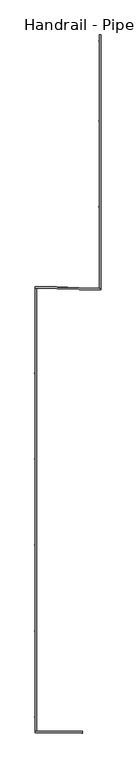
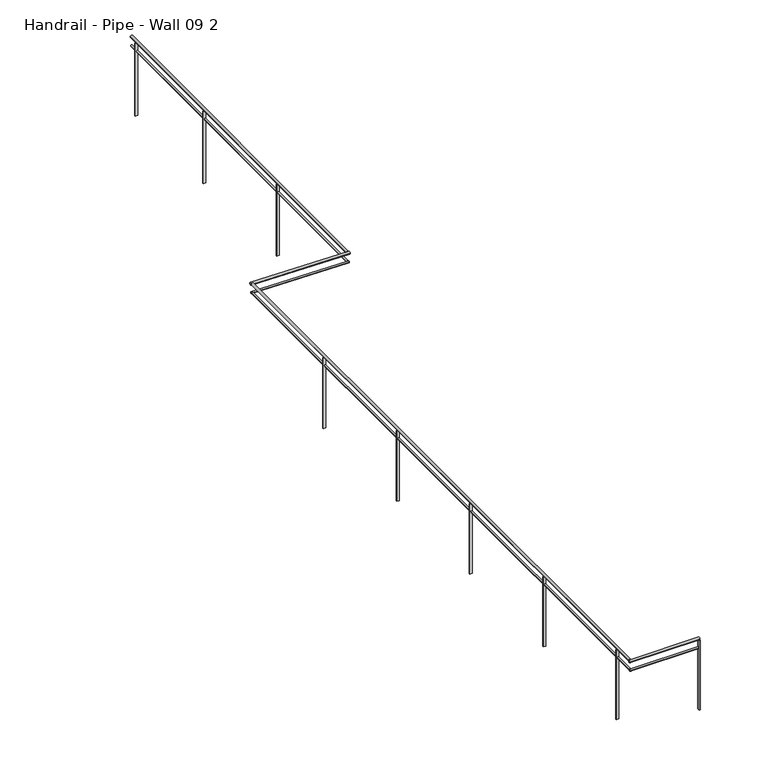
"""IFC4 building model written with IfcOpenShell, lengths in millimetres: railing geometry, Handrail - Pipe - Wall 09 2."""

from ifc_helpers import new_model, si_unit, frame, origin, place, context, project, spatial, polyline, circle_curve, ellipse_curve, outline, extrude, source, transform, mapped, element, save
from ifc_brep_helpers import plane_surface, cylinder_surface, advanced_brep


def handrail_pipe_wall_09_2_f6ed17e4(model_context):
    return source(origin(), model_context, "Body", "SolidModel", [
        advanced_brep(
        [(-17904.1677662, 18689.4258538, -10274.3), (-17904.1677662, 18664.0258538, -10274.3), (-16831.0177662, 18689.4258538, -10274.3), (-16831.0177662, 18664.0258538, -10274.3)],
        [
            (0, 1, circle_curve(frame((-17904.1677662, 18676.7258538, -10274.3), z_axis=(-1.0, 0.0, 0.0), x_axis=(0.0, -1.0, 0.0)), 12.7)),
            (1, 0, circle_curve(frame((-17904.1677662, 18676.7258538, -10274.3), z_axis=(-1.0, 0.0, 0.0), x_axis=(0.0, -1.0, 0.0)), 12.7)),
            (2, 3, circle_curve(frame((-16831.0177662, 18676.7258538, -10274.3), z_axis=(1.0, 0.0, 0.0), x_axis=(0.0, -1.0, 0.0)), 12.7)),
            (3, 2, circle_curve(frame((-16831.0177662, 18676.7258538, -10274.3), z_axis=(1.0, 0.0, 0.0), x_axis=(0.0, -1.0, 0.0)), 12.7)),
            (0, 2),
            (3, 1),
        ],
        [
            plane_surface(frame((-17904.1677662, 18676.7258538, -10261.6), z_axis=(-1.0, 0.0, 0.0), x_axis=(0.0, 1.0, 0.0))),
            plane_surface(frame((-16831.0177662, 18676.7258538, -10261.6), z_axis=(1.0, 0.0, 0.0), x_axis=(0.0, 1.0, 0.0))),
            cylinder_surface(frame((-17904.1677662, 18676.7258538, -10274.3), z_axis=(-1.0, 0.0, 0.0), x_axis=(0.0, -1.0, 0.0)), 12.7),
        ],
        [
            (0, [[1, 2]]),
            (1, [[3, 4]]),
            (2, [[-1, 5, -4, 6]]),
            (2, [[-2, -6, -3, -5]]),
        ],
    ),
        advanced_brep(
        [(-17878.7677662, 28779.1552865, -10248.9488689), (-17904.1677662, 28779.7099868, -10248.9474778), (-17878.7677662, 18689.4258538, -10274.2522656), (-17904.1677662, 18689.4258538, -10274.2522656)],
        [
            (0, 1, ellipse_curve(frame((-17891.4677662, 28779.4326366, -10248.9481734), z_axis=(0.021833388998917805, 0.9997616231506499, 0.0), x_axis=(-0.9932310518179371, 0.021690770497675264, 0.1141121736706966)), 12.7030681, 12.7)),
            (1, 0, ellipse_curve(frame((-17891.4677662, 28779.4326366, -10248.9481734), z_axis=(0.021833388998917805, 0.9997616231506499, 0.0), x_axis=(-0.9932310518179371, 0.021690770497675264, 0.1141121736706966)), 12.7030681, 12.7)),
            (2, 3, ellipse_curve(frame((-17891.4677662, 18689.4258538, -10274.2522656), z_axis=(0.0, -1.0, 0.0), x_axis=(0.0, 0.0, 1.0)), 12.7000399, 12.7)),
            (3, 2, ellipse_curve(frame((-17891.4677662, 18689.4258538, -10274.2522656), z_axis=(0.0, -1.0, 0.0), x_axis=(0.0, 0.0, 1.0)), 12.7000399, 12.7)),
            (0, 2),
            (3, 1),
        ],
        [
            plane_surface(frame((-17891.4677662, 28779.4326366, -10236.2481335), z_axis=(0.021833388998917805, 0.9997616231506499, 0.0), x_axis=(0.9997616231506499, -0.021833388998917805, 0.0))),
            plane_surface(frame((-17891.4677662, 18689.4258538, -10261.5522257), z_axis=(0.0, -1.0, 0.0), x_axis=(0.0, 0.0, -1.0))),
            cylinder_surface(frame((-17891.4677662, 28779.464486, -10248.9480935), z_axis=(0.0, 0.9999968553916473, 0.0025078291044304778), x_axis=(-1.0, 0.0, 0.0)), 12.7),
        ],
        [
            (0, [[1, 2]]),
            (1, [[3, 4]]),
            (2, [[-1, 5, -4, 6]]),
            (2, [[-2, -6, -3, -5]]),
        ],
    ),
        advanced_brep(
        [(-16412.2674293, 28747.1289798, -10248.9), (-16412.2674293, 28772.535036, -10248.9), (-17904.1677662, 28779.7099868, -10248.9), (-17904.1677662, 28805.116043, -10248.9)],
        [
            (0, 1, ellipse_curve(frame((-16412.2674293, 28759.8320079, -10248.9), z_axis=(1.0, 0.0, 0.0), x_axis=(0.0, -0.9999999999999999, 0.0)), 12.7030281, 12.7)),
            (1, 0, ellipse_curve(frame((-16412.2674293, 28759.8320079, -10248.9), z_axis=(1.0, 0.0, 0.0), x_axis=(0.0, -0.9999999999999999, 0.0)), 12.7030281, 12.7)),
            (2, 3, ellipse_curve(frame((-17904.1677662, 28792.4130149, -10248.9), z_axis=(-1.0, 0.0, 0.0), x_axis=(0.0, -1.0, 0.0)), 12.7030281, 12.7)),
            (3, 2, ellipse_curve(frame((-17904.1677662, 28792.4130149, -10248.9), z_axis=(-1.0, 0.0, 0.0), x_axis=(0.0, -1.0, 0.0)), 12.7030281, 12.7)),
            (0, 2),
            (3, 1),
        ],
        [
            plane_surface(frame((-16412.2674293, 28759.8320079, -10236.2), z_axis=(1.0, 0.0, 0.0), x_axis=(0.0, -1.0, 0.0))),
            plane_surface(frame((-17904.1677662, 28792.4130149, -10236.2), z_axis=(-1.0, 0.0, 0.0), x_axis=(0.0, -1.0, 0.0))),
            cylinder_surface(frame((-16412.2674293, 28759.8320079, -10248.9), z_axis=(0.9997616231506499, -0.021833388998917805, 0.0), x_axis=(0.021833388998917805, 0.9997616231506499, 0.0)), 12.7),
        ],
        [
            (0, [[1, 2]]),
            (1, [[3, 4]]),
            (2, [[-1, 5, -4, 6]]),
            (2, [[-2, -6, -3, -5]]),
        ],
    ),
        advanced_brep(
        [(-16412.2674293, 34545.0995472, -10223.5001227), (-16437.6674293, 34545.0995472, -10223.5001227), (-16412.2674293, 28772.535036, -10248.8740326), (-16437.6674293, 28773.0897363, -10248.8715944)],
        [
            (0, 1, ellipse_curve(frame((-16424.9674293, 34545.0995472, -10223.5001227), z_axis=(0.0, 1.0, 0.0), x_axis=(0.0, 0.0, 1.0)), 12.7001227, 12.7)),
            (1, 0, ellipse_curve(frame((-16424.9674293, 34545.0995472, -10223.5001227), z_axis=(0.0, 1.0, 0.0), x_axis=(0.0, 0.0, 1.0)), 12.7001227, 12.7)),
            (2, 3, ellipse_curve(frame((-16424.9674293, 28772.8123862, -10248.8728135), z_axis=(-0.021833388998917805, -0.9997616231506499, 0.0), x_axis=(-0.9800964195967415, 0.021403928586560414, 0.19736484016842826)), 12.7031508, 12.7)),
            (3, 2, ellipse_curve(frame((-16424.9674293, 28772.8123862, -10248.8728135), z_axis=(-0.021833388998917805, -0.9997616231506499, 0.0), x_axis=(-0.9800964195967415, 0.021403928586560414, 0.19736484016842826)), 12.7031508, 12.7)),
            (0, 2),
            (3, 1),
        ],
        [
            plane_surface(frame((-16424.9674293, 34545.0995472, -10210.8), z_axis=(0.0, 1.0, 0.0), x_axis=(0.0, 0.0, -1.0))),
            plane_surface(frame((-16424.9674293, 28772.8123862, -10236.1726908), z_axis=(-0.021833388998917805, -0.9997616231506499, 0.0), x_axis=(0.9997616231506499, -0.021833388998917805, 0.0))),
            cylinder_surface(frame((-16424.9674293, 34545.1553708, -10223.4998773), z_axis=(0.0, 0.9999903394709893, 0.004395561931740857), x_axis=(-1.0, 0.0, 0.0)), 12.7),
        ],
        [
            (0, [[1, 2]]),
            (1, [[3, 4]]),
            (2, [[-1, 5, -4, 6]]),
            (2, [[-2, -6, -3, -5]]),
        ],
    ),
        advanced_brep(
        [(-17910.5177662, 18695.7758538, -10128.25), (-17910.5177662, 18657.6758538, -10128.25), (-16831.0177662, 18695.7758538, -10128.25), (-16831.0177662, 18657.6758538, -10128.25)],
        [
            (0, 1, circle_curve(frame((-17910.5177662, 18676.7258538, -10128.25), z_axis=(-1.0, 0.0, 0.0), x_axis=(0.0, -1.0, 0.0)), 19.05)),
            (1, 0, circle_curve(frame((-17910.5177662, 18676.7258538, -10128.25), z_axis=(-1.0, 0.0, 0.0), x_axis=(0.0, -1.0, 0.0)), 19.05)),
            (2, 3, circle_curve(frame((-16831.0177662, 18676.7258538, -10128.25), z_axis=(1.0, 0.0, 0.0), x_axis=(0.0, -1.0, 0.0)), 19.05)),
            (3, 2, circle_curve(frame((-16831.0177662, 18676.7258538, -10128.25), z_axis=(1.0, 0.0, 0.0), x_axis=(0.0, -1.0, 0.0)), 19.05)),
            (0, 2),
            (3, 1),
        ],
        [
            plane_surface(frame((-17910.5177662, 18676.7258538, -10109.2), z_axis=(-1.0, 0.0, 0.0), x_axis=(0.0, 1.0, 0.0))),
            plane_surface(frame((-16831.0177662, 18676.7258538, -10109.2), z_axis=(1.0, 0.0, 0.0), x_axis=(0.0, 1.0, 0.0))),
            cylinder_surface(frame((-17910.5177662, 18676.7258538, -10128.25), z_axis=(-1.0, 0.0, 0.0), x_axis=(0.0, -1.0, 0.0)), 19.05),
        ],
        [
            (0, [[1, 2]]),
            (1, [[3, 4]]),
            (2, [[-1, 5, -4, 6]]),
            (2, [[-2, -6, -3, -5]]),
        ],
    ),
        advanced_brep(
        [(-17872.4177662, 28772.6650973, -10102.9151653), (-17910.5177662, 28773.4971478, -10102.9130786), (-17872.4177662, 18695.7758538, -10128.1863608), (-17910.5177662, 18695.7758538, -10128.1863608)],
        [
            (0, 1, ellipse_curve(frame((-17891.4677662, 28773.0811226, -10102.9141219), z_axis=(0.021833388998917805, 0.9997616231506499, 0.0), x_axis=(-0.9932310518179371, 0.021690770497675264, 0.1141121736706966)), 19.0546021, 19.05)),
            (1, 0, ellipse_curve(frame((-17891.4677662, 28773.0811226, -10102.9141219), z_axis=(0.021833388998917805, 0.9997616231506499, 0.0), x_axis=(-0.9932310518179371, 0.021690770497675264, 0.1141121736706966)), 19.0546021, 19.05)),
            (2, 3, ellipse_curve(frame((-17891.4677662, 18695.7758538, -10128.1863608), z_axis=(0.0, -1.0, 0.0), x_axis=(0.0, 0.0, 1.0)), 19.0500599, 19.05)),
            (3, 2, ellipse_curve(frame((-17891.4677662, 18695.7758538, -10128.1863608), z_axis=(0.0, -1.0, 0.0), x_axis=(0.0, 0.0, 1.0)), 19.0500599, 19.05)),
            (0, 2),
            (3, 1),
        ],
        [
            plane_surface(frame((-17891.4677662, 28773.0811226, -10083.864062), z_axis=(0.021833388998917805, 0.9997616231506499, 0.0), x_axis=(0.9997616231506499, -0.021833388998917805, 0.0))),
            plane_surface(frame((-17891.4677662, 18695.7758538, -10109.1363009), z_axis=(0.0, -1.0, 0.0), x_axis=(0.0, 0.0, -1.0))),
            cylinder_surface(frame((-17891.4677662, 28773.1288967, -10102.9140021), z_axis=(0.0, 0.9999968553916473, 0.0025078291044304778), x_axis=(-1.0, 0.0, 0.0)), 19.05),
        ],
        [
            (0, [[1, 2]]),
            (1, [[3, 4]]),
            (2, [[-1, 5, -4, 6]]),
            (2, [[-2, -6, -3, -5]]),
        ],
    ),
        advanced_brep(
        [(-16405.9174293, 28740.6387907, -10102.85), (-16405.9174293, 28778.747875, -10102.85), (-17910.5177662, 28773.4971478, -10102.85), (-17910.5177662, 28811.6062321, -10102.85)],
        [
            (0, 1, ellipse_curve(frame((-16405.9174293, 28759.6933328, -10102.85), z_axis=(1.0, 0.0, 0.0), x_axis=(0.0, -0.9999999999999999, 0.0)), 19.0545422, 19.05)),
            (1, 0, ellipse_curve(frame((-16405.9174293, 28759.6933328, -10102.85), z_axis=(1.0, 0.0, 0.0), x_axis=(0.0, -0.9999999999999999, 0.0)), 19.0545422, 19.05)),
            (2, 3, ellipse_curve(frame((-17910.5177662, 28792.5516899, -10102.85), z_axis=(-1.0, 0.0, 0.0), x_axis=(0.0, -1.0, 0.0)), 19.0545422, 19.05)),
            (3, 2, ellipse_curve(frame((-17910.5177662, 28792.5516899, -10102.85), z_axis=(-1.0, 0.0, 0.0), x_axis=(0.0, -1.0, 0.0)), 19.0545422, 19.05)),
            (0, 2),
            (3, 1),
        ],
        [
            plane_surface(frame((-16405.9174293, 28759.6933328, -10083.8), z_axis=(1.0, 0.0, 0.0), x_axis=(0.0, -1.0, 0.0))),
            plane_surface(frame((-17910.5177662, 28792.5516899, -10083.8), z_axis=(-1.0, 0.0, 0.0), x_axis=(0.0, -1.0, 0.0))),
            cylinder_surface(frame((-16405.9174293, 28759.6933328, -10102.85), z_axis=(0.9997616231506499, -0.021833388998917805, 0.0), x_axis=(0.021833388998917805, 0.9997616231506499, 0.0)), 19.05),
        ],
        [
            (0, [[1, 2]]),
            (1, [[3, 4]]),
            (2, [[-1, 5, -4, 6]]),
            (2, [[-2, -6, -3, -5]]),
        ],
    ),
        advanced_brep(
        [(-16405.9174293, 34545.0995472, -10077.450184), (-16444.0174293, 34545.0995472, -10077.450184), (-16405.9174293, 28778.747875, -10102.7967848), (-16444.0174293, 28779.5799255, -10102.7931274)],
        [
            (0, 1, ellipse_curve(frame((-16424.9674293, 34545.0995472, -10077.450184), z_axis=(0.0, 1.0, 0.0), x_axis=(0.0, 0.0, 1.0)), 19.050184, 19.05)),
            (1, 0, ellipse_curve(frame((-16424.9674293, 34545.0995472, -10077.450184), z_axis=(0.0, 1.0, 0.0), x_axis=(0.0, 0.0, 1.0)), 19.050184, 19.05)),
            (2, 3, ellipse_curve(frame((-16424.9674293, 28779.1639002, -10102.7949561), z_axis=(-0.021833388998917805, -0.9997616231506499, 0.0), x_axis=(-0.9800964195967415, 0.021403928586560414, 0.19736484016842826)), 19.0547262, 19.05)),
            (3, 2, ellipse_curve(frame((-16424.9674293, 28779.1639002, -10102.7949561), z_axis=(-0.021833388998917805, -0.9997616231506499, 0.0), x_axis=(-0.9800964195967415, 0.021403928586560414, 0.19736484016842826)), 19.0547262, 19.05)),
            (0, 2),
            (3, 1),
        ],
        [
            plane_surface(frame((-16424.9674293, 34545.0995472, -10058.4), z_axis=(0.0, 1.0, 0.0), x_axis=(0.0, 0.0, -1.0))),
            plane_surface(frame((-16424.9674293, 28779.1639002, -10083.7447721), z_axis=(-0.021833388998917805, -0.9997616231506499, 0.0), x_axis=(0.9997616231506499, -0.021833388998917805, 0.0))),
            cylinder_surface(frame((-16424.9674293, 34545.1832826, -10077.449816), z_axis=(0.0, 0.9999903394709893, 0.004395561931740857), x_axis=(-1.0, 0.0, 0.0)), 19.05),
        ],
        [
            (0, [[1, 2]]),
            (1, [[3, 4]]),
            (2, [[-1, 5, -4, 6]]),
            (2, [[-2, -6, -3, -5]]),
        ],
    ),
        extrude(outline(polyline([(19025.9758538, -10146.408333), (19025.9758538, -11277.6), (19013.2758538, -11277.6), (19013.2758538, -10146.4401825), (19025.9758538, -10146.408333)])), frame((-17916.8677662, 0.0, 0.0), z_axis=(1.0, 0.0, 0.0), x_axis=(0.0, 1.0, 0.0)), (0.0, 0.0, 1.0), 38.1),
        extrude(outline(polyline([(20981.7758538, -10141.5035054), (20981.7758538, -11277.6), (20969.0758538, -11277.6), (20969.0758538, -10141.5353549), (20981.7758538, -10141.5035054)])), frame((-17916.8677662, 0.0, 0.0), z_axis=(1.0, 0.0, 0.0), x_axis=(0.0, 1.0, 0.0)), (0.0, 0.0, 1.0), 38.1),
        extrude(outline(polyline([(22937.5758538, -10136.5986778), (22937.5758538, -11277.6), (22924.8758538, -11277.6), (22924.8758538, -10136.6305273), (22937.5758538, -10136.5986778)])), frame((-17916.8677662, 0.0, 0.0), z_axis=(1.0, 0.0, 0.0), x_axis=(0.0, 1.0, 0.0)), (0.0, 0.0, 1.0), 38.1),
        extrude(outline(polyline([(24893.3758538, -10131.6938502), (24893.3758538, -11277.6), (24880.6758538, -11277.6), (24880.6758538, -10131.7256997), (24893.3758538, -10131.6938502)])), frame((-17916.8677662, 0.0, 0.0), z_axis=(1.0, 0.0, 0.0), x_axis=(0.0, 1.0, 0.0)), (0.0, 0.0, 1.0), 38.1),
        extrude(outline(polyline([(26849.1758538, -10126.7890226), (26849.1758538, -11277.6), (26836.4758538, -11277.6), (26836.4758538, -10126.8208722), (26849.1758538, -10126.7890226)])), frame((-17916.8677662, 0.0, 0.0), z_axis=(1.0, 0.0, 0.0), x_axis=(0.0, 1.0, 0.0)), (0.0, 0.0, 1.0), 38.1),
        extrude(outline(polyline([(30639.8495472, -10113.6663021), (30639.8495472, -11277.6), (30627.1495472, -11277.6), (30627.1495472, -10113.7221263), (30639.8495472, -10113.6663021)])), frame((-16450.3674293, 0.0, 0.0), z_axis=(1.0, 0.0, 0.0), x_axis=(0.0, 1.0, 0.0)), (0.0, 0.0, 1.0), 38.1),
        extrude(outline(polyline([(32595.6495472, -10105.0693791), (32595.6495472, -11277.6), (32582.9495472, -11277.6), (32582.9495472, -10105.1252032), (32595.6495472, -10105.0693791)])), frame((-16450.3674293, 0.0, 0.0), z_axis=(1.0, 0.0, 0.0), x_axis=(0.0, 1.0, 0.0)), (0.0, 0.0, 1.0), 38.1),
        extrude(outline(polyline([(-16843.7177662, 18651.3258538), (-16843.7177662, 18689.4258538), (-16831.0177662, 18689.4258538), (-16831.0177662, 18651.3258538), (-16843.7177662, 18651.3258538)])), frame((0.0, 0.0, -11277.6), z_axis=(0.0, 0.0, 1.0), x_axis=(1.0, 0.0, 0.0)), (0.0, 0.0, 1.0), 1130.3),
        extrude(outline(polyline([(34411.7495472, -10097.0865219), (34411.7495472, -11277.6), (34399.0495472, -11277.6), (34399.0495472, -10097.1423461), (34411.7495472, -10097.0865219)])), frame((-16450.3674293, 0.0, 0.0), z_axis=(1.0, 0.0, 0.0), x_axis=(0.0, 1.0, 0.0)), (0.0, 0.0, 1.0), 38.1),
    ])


if __name__ == "__main__":
    model = new_model("IFC4")
    model_context = context("Model", 3, world=origin())
    ifc_project = project(units=[si_unit("LENGTHUNIT", "METRE", prefix="MILLI")], contexts=[model_context])
    site = spatial("IfcSite", under=ifc_project)
    building = spatial("IfcBuilding", under=site)
    placement = place(None, origin())
    handrail_pipe_wall_09_2_shape = handrail_pipe_wall_09_2_f6ed17e4(model_context)
    element("IfcRailing", 1, ObjectType="Handrail - Pipe - Wall 09 2", at=placement, inside=building, context=model_context, shape_type="MappedRepresentation", body=[
        mapped(handrail_pipe_wall_09_2_shape, transform((0.0, 0.0, 0.0), x_axis=(1.0, 0.0, 0.0), y_axis=(0.0, 1.0, 0.0), z_axis=(0.0, 0.0, 1.0))),
    ])
    save(model, "model.ifc")
